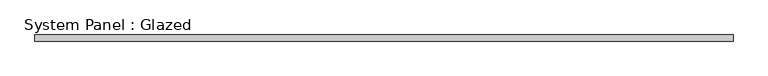
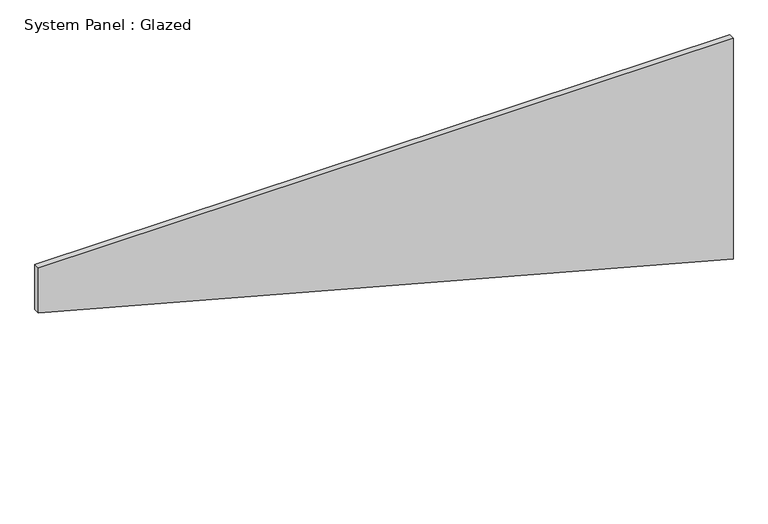
"""IFC4 building model written with IfcOpenShell, lengths in millimetres: plate geometry, System Panel : Glazed."""

from ifc_helpers import new_model, si_unit, frame, origin, place, context, project, spatial, polyline, outline, extrude, source, transform, mapped, element, save


def system_panel_glazed_b33a5bcf(model_context):
    return source(origin(), model_context, "Body", "SweptSolid", [
        extrude(outline(polyline([(763.6551984, -1425.0), (0.0, 1425.0), (957.9187047, 1425.0), (957.9187047, -1425.0), (763.6551984, -1425.0)])), frame((0.0, -22.5, 0.0), z_axis=(0.0, 1.0, 0.0), x_axis=(0.0, 0.0, 1.0)), (0.0, 0.0, 1.0), 25.0),
    ])


if __name__ == "__main__":
    model = new_model("IFC4")
    model_context = context("Model", 3, world=origin())
    ifc_project = project(units=[si_unit("LENGTHUNIT", "METRE", prefix="MILLI")], contexts=[model_context])
    site = spatial("IfcSite", under=ifc_project)
    building = spatial("IfcBuilding", under=site)
    placement = place(None, origin())
    system_panel_glazed_shape = system_panel_glazed_b33a5bcf(model_context)
    element("IfcPlate", 1, ObjectType="System Panel : Glazed", at=placement, inside=building, context=model_context, shape_type="MappedRepresentation", body=[
        mapped(system_panel_glazed_shape, transform((0.0, 0.0, 0.0), x_axis=(1.0, 0.0, 0.0), y_axis=(0.0, 1.0, 0.0), z_axis=(0.0, 0.0, 1.0))),
    ])
    save(model, "model.ifc")
